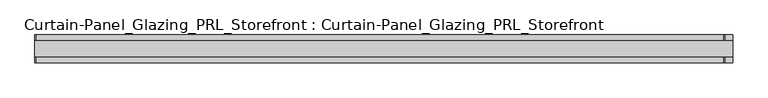
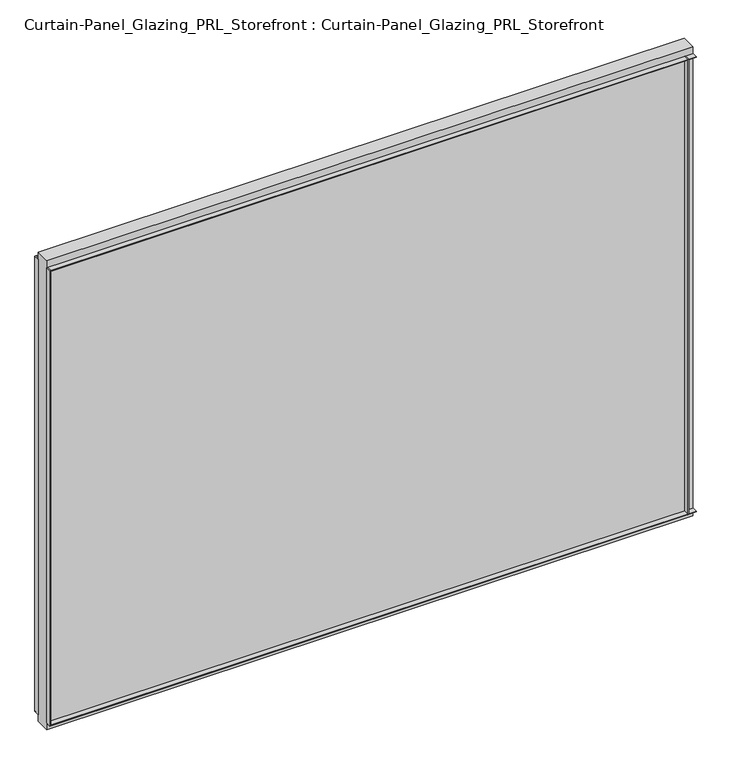
"""IFC4 building model written with IfcOpenShell, lengths in millimetres: plate geometry, Curtain-Panel_Glazing_PRL_Storefront : Curtain-Panel_Glazing_PRL_Storefront."""

import ifcopenshell
import ifcopenshell.guid

model = None  # the IFC model being written
_history = None  # IfcOwnerHistory: only IFC2X3 demands one
_inside = {}  # id of a spatial element -> (the spatial element, [elements in it])
_under = {}  # id of a project, library or spatial element -> (it, [spatial elements below it])
_declared = {}  # id of a project -> (the project, [libraries it declares])
_typed = {}  # id of a type object -> (the type object, [elements of that type])
_made_of = {}  # id of a material, layer set ... -> (it, [elements and type objects made of it])


def new_model(schema):
    """Start an empty IFC model of exactly this schema.

    Asked for "IFC4X3", IfcOpenShell would pick the latest addendum, in which some entities
    have other attributes; the version numbers below select the first issue.
    IFC2X3 requires an IfcOwnerHistory on every rooted entity: one is made here for all.
    """
    global model, _history
    if schema == "IFC4X3":
        model = ifcopenshell.file(schema_version=(4, 3, 0, 0))
    else:
        model = ifcopenshell.file(schema=schema)
    _inside.clear()
    _under.clear()
    _declared.clear()
    _typed.clear()
    _made_of.clear()
    _history = None
    if model.schema == "IFC2X3":
        org = make("IfcOrganization", Name="unknown")
        user = make(
            "IfcPersonAndOrganization",
            ThePerson=make("IfcPerson", FamilyName="unknown"),
            TheOrganization=org,
        )
        app = make(
            "IfcApplication",
            ApplicationDeveloper=org,
            Version="unknown",
            ApplicationFullName="unknown",
            ApplicationIdentifier="unknown",
        )
        _history = make(
            "IfcOwnerHistory",
            OwningUser=user,
            OwningApplication=app,
            ChangeAction="ADDED",
            CreationDate=0,
        )
    return model


def make(cls, **values):
    """One entity of the class cls with the attributes given. An attribute that is None is left unset."""
    return model.create_entity(
        cls, **{name: value for name, value in values.items() if value is not None}
    )


def rooted(cls, **values):
    """An entity with a GlobalId (a new one), such as an element, a storey or a relation."""
    return make(cls, GlobalId=ifcopenshell.guid.new(), OwnerHistory=_history, **values)


def si_unit(unit_type, name, prefix=None):
    """IfcSIUnit, for example si_unit("LENGTHUNIT", "METRE", prefix="MILLI")."""
    return make("IfcSIUnit", UnitType=unit_type, Prefix=prefix, Name=name)


def assignment(units):
    """IfcUnitAssignment: the units of a project."""
    return None if units is None else make("IfcUnitAssignment", Units=units)


def point(xyz):
    """IfcCartesianPoint."""
    return None if xyz is None else make("IfcCartesianPoint", Coordinates=xyz)


def direction(xyz):
    """IfcDirection."""
    return None if xyz is None else make("IfcDirection", DirectionRatios=xyz)


def frame(location, z_axis=None, x_axis=None):
    """IfcAxis2Placement3D, a coordinate frame: its origin and axes. An axis left out is left unset."""
    return make(
        "IfcAxis2Placement3D",
        Location=point(location),
        Axis=direction(z_axis),
        RefDirection=direction(x_axis),
    )


def origin():
    """The frame at (0, 0, 0) with its axes left unset."""
    return frame((0.0, 0.0, 0.0))


def origin_with_axes():
    """The frame at (0, 0, 0) with the z axis (0, 0, 1) and the x axis (1, 0, 0) written out."""
    return frame((0.0, 0.0, 0.0), z_axis=(0.0, 0.0, 1.0), x_axis=(1.0, 0.0, 0.0))


def place(relative_to, where):
    """IfcLocalPlacement: puts the frame where relative to a parent placement (None: the world)."""
    return make(
        "IfcLocalPlacement", PlacementRelTo=relative_to, RelativePlacement=where
    )


def context(
    kind, dimensions, precision=None, world=None, true_north=None, identifier=None
):
    """IfcGeometricRepresentationContext, for example the 3D "Model" context."""
    return make(
        "IfcGeometricRepresentationContext",
        ContextIdentifier=identifier,
        ContextType=kind,
        CoordinateSpaceDimension=dimensions,
        Precision=precision,
        WorldCoordinateSystem=world,
        TrueNorth=true_north,
    )


def project(units=None, contexts=None):
    """IfcProject with its units and contexts."""
    return rooted(
        "IfcProject",
        Name="project",
        RepresentationContexts=contexts,
        UnitsInContext=assignment(units),
    )


def spatial(cls, under=None, at=None, **own):
    """A site, building, storey or space (cls), placed at a placement, below another one or the project."""
    s = rooted(cls, ObjectPlacement=at, **own)
    if under is not None:
        _under.setdefault(under.id(), (under, []))[1].append(s)
    return s


def polyline(points):
    """IfcPolyline through the points."""
    return make("IfcPolyline", Points=[point(p) for p in points])


def outline(outer, holes=None, kind="AREA"):
    """IfcArbitraryClosedProfileDef: a profile drawn as a closed curve; with holes, ...WithVoids."""
    if holes is None:
        return make("IfcArbitraryClosedProfileDef", ProfileType=kind, OuterCurve=outer)
    return make(
        "IfcArbitraryProfileDefWithVoids",
        ProfileType=kind,
        OuterCurve=outer,
        InnerCurves=holes,
    )


def extrude(swept, where, along, depth):
    """IfcExtrudedAreaSolid: the profile swept, set in the frame where, extruded along a direction by depth."""
    return make(
        "IfcExtrudedAreaSolid",
        SweptArea=swept,
        Position=where,
        ExtrudedDirection=direction(along),
        Depth=depth,
    )


def shape(context_of_items, identifier, shape_type, items):
    """IfcShapeRepresentation: the items that make up one representation, for example the "Body"."""
    return make(
        "IfcShapeRepresentation",
        ContextOfItems=context_of_items,
        RepresentationIdentifier=identifier,
        RepresentationType=shape_type,
        Items=items,
    )


def source(mapping_origin, context_of_items, identifier, shape_type, items):
    """IfcRepresentationMap: a shape defined once, which mapped items show again and again."""
    return make(
        "IfcRepresentationMap",
        MappingOrigin=mapping_origin,
        MappedRepresentation=shape(context_of_items, identifier, shape_type, items),
    )


def transform(
    local_origin,
    x_axis=None,
    y_axis=None,
    z_axis=None,
    scale=None,
    scale2=None,
    scale3=None,
    uniform=True,
):
    """IfcCartesianTransformationOperator3D, or its non-uniform kind. x_axis, y_axis, z_axis: its Axis1, 2, 3."""
    if uniform:
        return make(
            "IfcCartesianTransformationOperator3D",
            Axis1=direction(x_axis),
            Axis2=direction(y_axis),
            LocalOrigin=point(local_origin),
            Scale=scale,
            Axis3=direction(z_axis),
        )
    return make(
        "IfcCartesianTransformationOperator3DnonUniform",
        Axis1=direction(x_axis),
        Axis2=direction(y_axis),
        LocalOrigin=point(local_origin),
        Scale=scale,
        Axis3=direction(z_axis),
        Scale2=scale2,
        Scale3=scale3,
    )


def mapped(mapping_source, mapping_target):
    """IfcMappedItem: shows the shape of a source again, moved by a transform."""
    return make(
        "IfcMappedItem", MappingSource=mapping_source, MappingTarget=mapping_target
    )


def made_of(thing, what):
    """Note that an element or type object is made of a material, layer set ...; save() writes the relation."""
    if what is not None:
        _made_of.setdefault(what.id(), (what, []))[1].append(thing)
    return thing


def element(
    cls,
    number,
    at=None,
    inside=None,
    cuts=None,
    type_object=None,
    material=None,
    context=None,
    identifier="Body",
    shape_type=None,
    held_by="IfcProductDefinitionShape",
    body=None,
    shapes=None,
    **own,
):
    """One element of the class cls, such as IfcWall. Its Tag is "e" and its number.

    at: its placement. inside: the storey or other place that contains it. cuts: it is an
    opening in that element (IfcRelVoidsElement). A single representation is given by context,
    identifier, shape_type and body (its items); several are given by shapes. held_by: the class
    of the entity that holds the representations. save() writes the other relations.
    """
    e = rooted(cls, Tag="e%d" % number, ObjectPlacement=at, **own)
    if body is not None:
        shapes = [shape(context, identifier, shape_type, body)]
    if shapes is not None:
        e.Representation = make(held_by, Representations=shapes)
    if inside is not None:
        _inside.setdefault(inside.id(), (inside, []))[1].append(e)
    if cuts is not None:
        rooted(
            "IfcRelVoidsElement", RelatingBuildingElement=cuts, RelatedOpeningElement=e
        )
    if type_object is not None:
        _typed.setdefault(type_object.id(), (type_object, []))[1].append(e)
    return made_of(e, material)


def aggregate(whole, parts):
    """IfcRelAggregates: a whole, such as a stair, and the parts it consists of."""
    return rooted("IfcRelAggregates", RelatingObject=whole, RelatedObjects=parts)


def save(model, path):
    """Write the relations noted so far, then the file.

    IfcRelAggregates (storeys below a building ...), IfcRelContainedInSpatialStructure (elements
    in a storey), IfcRelDefinesByType, IfcRelAssociatesMaterial and IfcRelDeclares: one each for
    every whole, place, type object, material and project.
    """
    for whole, parts in _under.values():
        aggregate(whole, parts)
    for where, things in _inside.values():
        rooted(
            "IfcRelContainedInSpatialStructure",
            RelatedElements=things,
            RelatingStructure=where,
        )
    for kind, things in _typed.values():
        rooted("IfcRelDefinesByType", RelatedObjects=things, RelatingType=kind)
    for what, things in _made_of.values():
        rooted("IfcRelAssociatesMaterial", RelatedObjects=things, RelatingMaterial=what)
    for by, libraries in _declared.values():
        rooted("IfcRelDeclares", RelatingContext=by, RelatedDefinitions=libraries)
    model.write(path)


def curtain_panel_glazing_prl_storefront_curtain_panel_glazing_06ee3da4(model_context):
    return source(origin(), model_context, "Body", "SweptSolid", [
        extrude(outline(polyline([(574.675, -22.225), (573.0875, -22.225), (573.0875, -12.7), (574.675, -12.7), (574.675, -22.225)])), frame((0.0, 0.0, 12.7), z_axis=(0.0, 0.0, 1.0), x_axis=(1.0, 0.0, 0.0)), (0.0, 0.0, 1.0), 831.85),
        extrude(outline(polyline([(574.675, 22.225), (574.675, 12.7), (573.0875, 12.7), (573.0875, 22.225), (574.675, 22.225)])), frame((0.0, 0.0, 12.7), z_axis=(0.0, 0.0, 1.0), x_axis=(1.0, 0.0, 0.0)), (0.0, 0.0, 1.0), 831.85),
        extrude(outline(polyline([(-530.225, -22.225), (-530.225, -12.7), (-528.6375, -12.7), (-528.6375, -22.225), (-530.225, -22.225)])), frame((0.0, 0.0, 12.7), z_axis=(0.0, 0.0, 1.0), x_axis=(1.0, 0.0, 0.0)), (0.0, 0.0, 1.0), 831.85),
        extrude(outline(polyline([(-530.225, 22.225), (-528.6375, 22.225), (-528.6375, 12.7), (-530.225, 12.7), (-530.225, 22.225)])), frame((0.0, 0.0, 12.7), z_axis=(0.0, 0.0, 1.0), x_axis=(1.0, 0.0, 0.0)), (0.0, 0.0, 1.0), 831.85),
        extrude(outline(polyline([(587.375, 12.7), (587.375, -12.7), (-530.225, -12.7), (-530.225, 12.7), (587.375, 12.7)])), origin_with_axes(), (0.0, 0.0, 1.0), 857.25),
        extrude(outline(polyline([(-530.225, -22.225), (-530.225, -12.7), (587.375, -12.7), (587.375, -22.225), (-530.225, -22.225)])), frame((0.0, 0.0, 842.9625), z_axis=(0.0, 0.0, 1.0), x_axis=(1.0, 0.0, 0.0)), (0.0, 0.0, 1.0), 1.5875),
        extrude(outline(polyline([(-530.225, 22.225), (587.375, 22.225), (587.375, 12.7), (-530.225, 12.7), (-530.225, 22.225)])), frame((0.0, 0.0, 842.9625), z_axis=(0.0, 0.0, 1.0), x_axis=(1.0, 0.0, 0.0)), (0.0, 0.0, 1.0), 1.5875),
        extrude(outline(polyline([(-530.225, -22.225), (-530.225, -12.7), (587.375, -12.7), (587.375, -22.225), (-530.225, -22.225)])), frame((0.0, 0.0, 12.7), z_axis=(0.0, 0.0, 1.0), x_axis=(1.0, 0.0, 0.0)), (0.0, 0.0, 1.0), 1.5875),
        extrude(outline(polyline([(-530.225, 22.225), (587.375, 22.225), (587.375, 12.7), (-530.225, 12.7), (-530.225, 22.225)])), frame((0.0, 0.0, 12.7), z_axis=(0.0, 0.0, 1.0), x_axis=(1.0, 0.0, 0.0)), (0.0, 0.0, 1.0), 1.5875),
    ])


if __name__ == "__main__":
    model = new_model("IFC4")
    model_context = context("Model", 3, world=origin())
    ifc_project = project(units=[si_unit("LENGTHUNIT", "METRE", prefix="MILLI")], contexts=[model_context])
    site = spatial("IfcSite", under=ifc_project)
    building = spatial("IfcBuilding", under=site)
    placement = place(None, origin())
    curtain_panel_glazing_prl_storefront_curtain_panel_glazing_shape = curtain_panel_glazing_prl_storefront_curtain_panel_glazing_06ee3da4(model_context)
    element("IfcPlate", 1, ObjectType="Curtain-Panel_Glazing_PRL_Storefront : Curtain-Panel_Glazing_PRL_Storefront", at=placement, inside=building, context=model_context, shape_type="MappedRepresentation", body=[
        mapped(curtain_panel_glazing_prl_storefront_curtain_panel_glazing_shape, transform((0.0, 0.0, 0.0), x_axis=(1.0, 0.0, 0.0), y_axis=(0.0, 1.0, 0.0), z_axis=(0.0, 0.0, 1.0))),
    ])
    save(model, "model.ifc")
